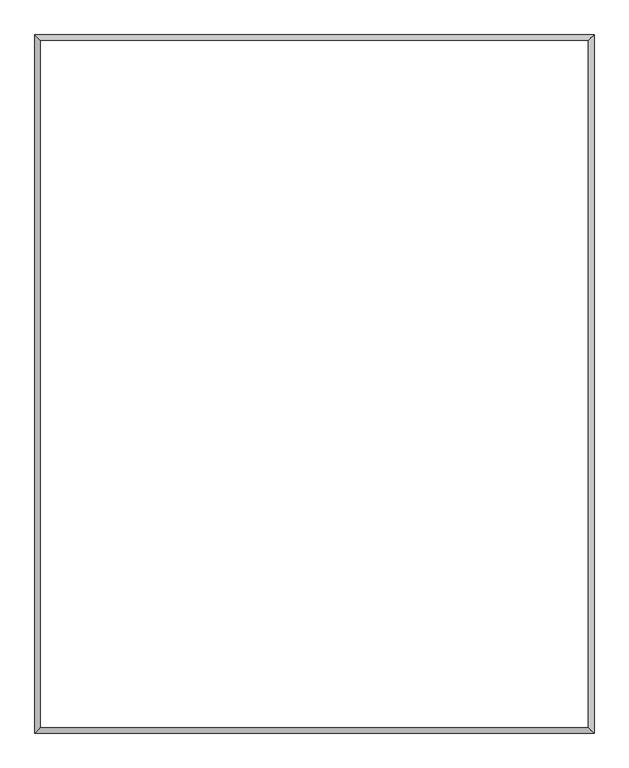
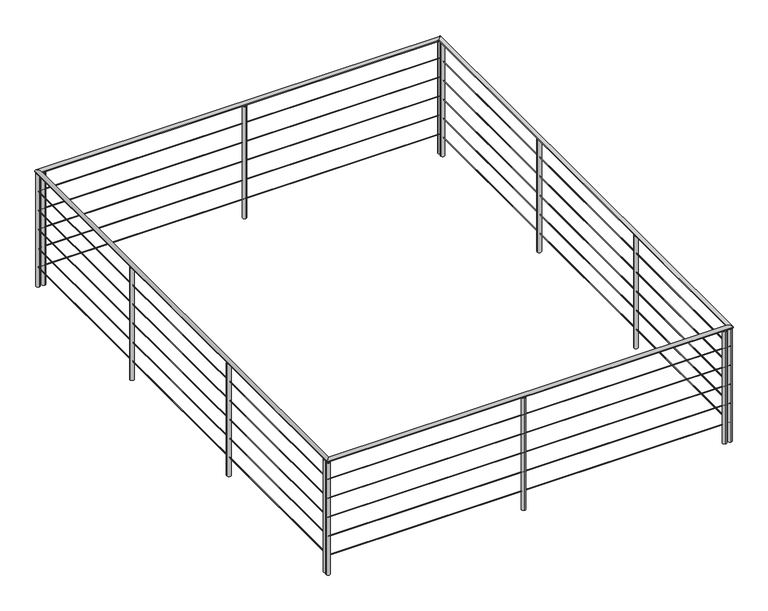
"""IFC4 building model written with IfcOpenShell, lengths in millimetres: railing geometry."""

from ifc_helpers import new_model, si_unit, point, frame, frame_2d, origin, origin_with_axes, place, context, project, spatial, circle_curve, ellipse_curve, trimmed, segment, composite_curve, outline, extrude, source, transform, mapped, element, save
from ifc_brep_helpers import cylinder_surface, advanced_brep


def railing_b5683f97(model_context):
    return source(origin(), model_context, "Body", "SolidModel", [
        advanced_brep(
        [(14677.1385921, 15982.6080891, 997.0), (14671.1385921, 15988.6080891, 997.0), (14671.1385921, 20982.6080891, 997.0), (14677.1385921, 20988.6080891, 997.0), (10677.1385921, 20982.6080891, 997.0), (10671.1385921, 20988.6080891, 997.0), (10677.1385921, 15988.6080891, 997.0), (10671.1385921, 15982.6080891, 997.0)],
        [
            (0, 1, ellipse_curve(frame((14674.1385921, 15985.6080891, 997.0), z_axis=(0.7071067811865475, 0.7071067811865475, 0.0), x_axis=(0.7071067811865474, -0.7071067811865476, 0.0)), 4.2426407, 3.0)),
            (1, 2),
            (2, 3, ellipse_curve(frame((14674.1385921, 20985.6080891, 997.0), z_axis=(0.7071067811865475, -0.7071067811865475, 0.0), x_axis=(-0.7071067811865474, -0.7071067811865476, 0.0)), 4.2426407, 3.0)),
            (3, 0),
            (1, 0, ellipse_curve(frame((14674.1385921, 15985.6080891, 997.0), z_axis=(0.7071067811865475, 0.7071067811865475, 0.0), x_axis=(0.7071067811865474, -0.7071067811865476, 0.0)), 4.2426407, 3.0)),
            (3, 2, ellipse_curve(frame((14674.1385921, 20985.6080891, 997.0), z_axis=(0.7071067811865475, -0.7071067811865475, 0.0), x_axis=(-0.7071067811865474, -0.7071067811865476, 0.0)), 4.2426407, 3.0)),
            (2, 4),
            (4, 5, ellipse_curve(frame((10674.1385921, 20985.6080891, 997.0), z_axis=(0.7071067811865475, 0.7071067811865475, 0.0), x_axis=(0.7071067811865476, -0.7071067811865474, 0.0)), 4.2426407, 3.0)),
            (5, 3),
            (5, 4, ellipse_curve(frame((10674.1385921, 20985.6080891, 997.0), z_axis=(0.7071067811865475, 0.7071067811865475, 0.0), x_axis=(0.7071067811865476, -0.7071067811865474, 0.0)), 4.2426407, 3.0)),
            (4, 6),
            (6, 7, ellipse_curve(frame((10674.1385921, 15985.6080891, 997.0), z_axis=(-0.7071067811865475, 0.7071067811865475, 0.0), x_axis=(0.7071067811865474, 0.7071067811865476, 0.0)), 4.2426407, 3.0)),
            (7, 5),
            (7, 6, ellipse_curve(frame((10674.1385921, 15985.6080891, 997.0), z_axis=(-0.7071067811865475, 0.7071067811865475, 0.0), x_axis=(0.7071067811865474, 0.7071067811865476, 0.0)), 4.2426407, 3.0)),
            (6, 1),
            (0, 7),
        ],
        [
            cylinder_surface(frame((14674.1385921, 15985.6080891, 997.0), z_axis=(0.0, -1.0, 0.0), x_axis=(1.0, 0.0, 0.0)), 3.0),
            cylinder_surface(frame((14674.1385921, 20985.6080891, 997.0), z_axis=(1.0, 0.0, 0.0), x_axis=(0.0, 1.0, 0.0)), 3.0),
            cylinder_surface(frame((10674.1385921, 20985.6080891, 997.0), z_axis=(0.0, 1.0, 0.0), x_axis=(-1.0, 0.0, 0.0)), 3.0),
            cylinder_surface(frame((10674.1385921, 15985.6080891, 997.0), z_axis=(-1.0, 0.0, 0.0), x_axis=(0.0, -1.0, 0.0)), 3.0),
        ],
        [
            (0, [[1, 2, 3, 4]]),
            (0, [[5, -4, 6, -2]]),
            (1, [[-3, 7, 8, 9]]),
            (1, [[-6, -9, 10, -7]]),
            (2, [[-8, 11, 12, 13]]),
            (2, [[-10, -13, 14, -11]]),
            (3, [[-12, 15, -1, 16]]),
            (3, [[-14, -16, -5, -15]]),
        ],
    ),
        advanced_brep(
        [(14677.1385921, 15982.6080891, 797.0), (14671.1385921, 15988.6080891, 797.0), (14671.1385921, 20982.6080891, 797.0), (14677.1385921, 20988.6080891, 797.0), (10677.1385921, 20982.6080891, 797.0), (10671.1385921, 20988.6080891, 797.0), (10677.1385921, 15988.6080891, 797.0), (10671.1385921, 15982.6080891, 797.0)],
        [
            (0, 1, ellipse_curve(frame((14674.1385921, 15985.6080891, 797.0), z_axis=(0.7071067811865475, 0.7071067811865475, 0.0), x_axis=(0.7071067811865474, -0.7071067811865476, 0.0)), 4.2426407, 3.0)),
            (1, 2),
            (2, 3, ellipse_curve(frame((14674.1385921, 20985.6080891, 797.0), z_axis=(0.7071067811865475, -0.7071067811865475, 0.0), x_axis=(-0.7071067811865474, -0.7071067811865476, 0.0)), 4.2426407, 3.0)),
            (3, 0),
            (1, 0, ellipse_curve(frame((14674.1385921, 15985.6080891, 797.0), z_axis=(0.7071067811865475, 0.7071067811865475, 0.0), x_axis=(0.7071067811865474, -0.7071067811865476, 0.0)), 4.2426407, 3.0)),
            (3, 2, ellipse_curve(frame((14674.1385921, 20985.6080891, 797.0), z_axis=(0.7071067811865475, -0.7071067811865475, 0.0), x_axis=(-0.7071067811865474, -0.7071067811865476, 0.0)), 4.2426407, 3.0)),
            (2, 4),
            (4, 5, ellipse_curve(frame((10674.1385921, 20985.6080891, 797.0), z_axis=(0.7071067811865475, 0.7071067811865475, 0.0), x_axis=(0.7071067811865476, -0.7071067811865474, 0.0)), 4.2426407, 3.0)),
            (5, 3),
            (5, 4, ellipse_curve(frame((10674.1385921, 20985.6080891, 797.0), z_axis=(0.7071067811865475, 0.7071067811865475, 0.0), x_axis=(0.7071067811865476, -0.7071067811865474, 0.0)), 4.2426407, 3.0)),
            (4, 6),
            (6, 7, ellipse_curve(frame((10674.1385921, 15985.6080891, 797.0), z_axis=(-0.7071067811865475, 0.7071067811865475, 0.0), x_axis=(0.7071067811865474, 0.7071067811865476, 0.0)), 4.2426407, 3.0)),
            (7, 5),
            (7, 6, ellipse_curve(frame((10674.1385921, 15985.6080891, 797.0), z_axis=(-0.7071067811865475, 0.7071067811865475, 0.0), x_axis=(0.7071067811865474, 0.7071067811865476, 0.0)), 4.2426407, 3.0)),
            (6, 1),
            (0, 7),
        ],
        [
            cylinder_surface(frame((14674.1385921, 15985.6080891, 797.0), z_axis=(0.0, -1.0, 0.0), x_axis=(1.0, 0.0, 0.0)), 3.0),
            cylinder_surface(frame((14674.1385921, 20985.6080891, 797.0), z_axis=(1.0, 0.0, 0.0), x_axis=(0.0, 1.0, 0.0)), 3.0),
            cylinder_surface(frame((10674.1385921, 20985.6080891, 797.0), z_axis=(0.0, 1.0, 0.0), x_axis=(-1.0, 0.0, 0.0)), 3.0),
            cylinder_surface(frame((10674.1385921, 15985.6080891, 797.0), z_axis=(-1.0, 0.0, 0.0), x_axis=(0.0, -1.0, 0.0)), 3.0),
        ],
        [
            (0, [[1, 2, 3, 4]]),
            (0, [[5, -4, 6, -2]]),
            (1, [[-3, 7, 8, 9]]),
            (1, [[-6, -9, 10, -7]]),
            (2, [[-8, 11, 12, 13]]),
            (2, [[-10, -13, 14, -11]]),
            (3, [[-12, 15, -1, 16]]),
            (3, [[-14, -16, -5, -15]]),
        ],
    ),
        advanced_brep(
        [(14677.1385921, 15982.6080891, 597.0), (14671.1385921, 15988.6080891, 597.0), (14671.1385921, 20982.6080891, 597.0), (14677.1385921, 20988.6080891, 597.0), (10677.1385921, 20982.6080891, 597.0), (10671.1385921, 20988.6080891, 597.0), (10677.1385921, 15988.6080891, 597.0), (10671.1385921, 15982.6080891, 597.0)],
        [
            (0, 1, ellipse_curve(frame((14674.1385921, 15985.6080891, 597.0), z_axis=(0.7071067811865475, 0.7071067811865475, 0.0), x_axis=(0.7071067811865474, -0.7071067811865476, 0.0)), 4.2426407, 3.0)),
            (1, 2),
            (2, 3, ellipse_curve(frame((14674.1385921, 20985.6080891, 597.0), z_axis=(0.7071067811865475, -0.7071067811865475, 0.0), x_axis=(-0.7071067811865474, -0.7071067811865476, 0.0)), 4.2426407, 3.0)),
            (3, 0),
            (1, 0, ellipse_curve(frame((14674.1385921, 15985.6080891, 597.0), z_axis=(0.7071067811865475, 0.7071067811865475, 0.0), x_axis=(0.7071067811865474, -0.7071067811865476, 0.0)), 4.2426407, 3.0)),
            (3, 2, ellipse_curve(frame((14674.1385921, 20985.6080891, 597.0), z_axis=(0.7071067811865475, -0.7071067811865475, 0.0), x_axis=(-0.7071067811865474, -0.7071067811865476, 0.0)), 4.2426407, 3.0)),
            (2, 4),
            (4, 5, ellipse_curve(frame((10674.1385921, 20985.6080891, 597.0), z_axis=(0.7071067811865475, 0.7071067811865475, 0.0), x_axis=(0.7071067811865476, -0.7071067811865474, 0.0)), 4.2426407, 3.0)),
            (5, 3),
            (5, 4, ellipse_curve(frame((10674.1385921, 20985.6080891, 597.0), z_axis=(0.7071067811865475, 0.7071067811865475, 0.0), x_axis=(0.7071067811865476, -0.7071067811865474, 0.0)), 4.2426407, 3.0)),
            (4, 6),
            (6, 7, ellipse_curve(frame((10674.1385921, 15985.6080891, 597.0), z_axis=(-0.7071067811865475, 0.7071067811865475, 0.0), x_axis=(0.7071067811865474, 0.7071067811865476, 0.0)), 4.2426407, 3.0)),
            (7, 5),
            (7, 6, ellipse_curve(frame((10674.1385921, 15985.6080891, 597.0), z_axis=(-0.7071067811865475, 0.7071067811865475, 0.0), x_axis=(0.7071067811865474, 0.7071067811865476, 0.0)), 4.2426407, 3.0)),
            (6, 1),
            (0, 7),
        ],
        [
            cylinder_surface(frame((14674.1385921, 15985.6080891, 597.0), z_axis=(0.0, -1.0, 0.0), x_axis=(1.0, 0.0, 0.0)), 3.0),
            cylinder_surface(frame((14674.1385921, 20985.6080891, 597.0), z_axis=(1.0, 0.0, 0.0), x_axis=(0.0, 1.0, 0.0)), 3.0),
            cylinder_surface(frame((10674.1385921, 20985.6080891, 597.0), z_axis=(0.0, 1.0, 0.0), x_axis=(-1.0, 0.0, 0.0)), 3.0),
            cylinder_surface(frame((10674.1385921, 15985.6080891, 597.0), z_axis=(-1.0, 0.0, 0.0), x_axis=(0.0, -1.0, 0.0)), 3.0),
        ],
        [
            (0, [[1, 2, 3, 4]]),
            (0, [[5, -4, 6, -2]]),
            (1, [[-3, 7, 8, 9]]),
            (1, [[-6, -9, 10, -7]]),
            (2, [[-8, 11, 12, 13]]),
            (2, [[-10, -13, 14, -11]]),
            (3, [[-12, 15, -1, 16]]),
            (3, [[-14, -16, -5, -15]]),
        ],
    ),
        advanced_brep(
        [(14677.1385921, 15982.6080891, 397.0), (14671.1385921, 15988.6080891, 397.0), (14671.1385921, 20982.6080891, 397.0), (14677.1385921, 20988.6080891, 397.0), (10677.1385921, 20982.6080891, 397.0), (10671.1385921, 20988.6080891, 397.0), (10677.1385921, 15988.6080891, 397.0), (10671.1385921, 15982.6080891, 397.0)],
        [
            (0, 1, ellipse_curve(frame((14674.1385921, 15985.6080891, 397.0), z_axis=(0.7071067811865475, 0.7071067811865475, 0.0), x_axis=(0.7071067811865474, -0.7071067811865476, 0.0)), 4.2426407, 3.0)),
            (1, 2),
            (2, 3, ellipse_curve(frame((14674.1385921, 20985.6080891, 397.0), z_axis=(0.7071067811865475, -0.7071067811865475, 0.0), x_axis=(-0.7071067811865474, -0.7071067811865476, 0.0)), 4.2426407, 3.0)),
            (3, 0),
            (1, 0, ellipse_curve(frame((14674.1385921, 15985.6080891, 397.0), z_axis=(0.7071067811865475, 0.7071067811865475, 0.0), x_axis=(0.7071067811865474, -0.7071067811865476, 0.0)), 4.2426407, 3.0)),
            (3, 2, ellipse_curve(frame((14674.1385921, 20985.6080891, 397.0), z_axis=(0.7071067811865475, -0.7071067811865475, 0.0), x_axis=(-0.7071067811865474, -0.7071067811865476, 0.0)), 4.2426407, 3.0)),
            (2, 4),
            (4, 5, ellipse_curve(frame((10674.1385921, 20985.6080891, 397.0), z_axis=(0.7071067811865475, 0.7071067811865475, 0.0), x_axis=(0.7071067811865476, -0.7071067811865474, 0.0)), 4.2426407, 3.0)),
            (5, 3),
            (5, 4, ellipse_curve(frame((10674.1385921, 20985.6080891, 397.0), z_axis=(0.7071067811865475, 0.7071067811865475, 0.0), x_axis=(0.7071067811865476, -0.7071067811865474, 0.0)), 4.2426407, 3.0)),
            (4, 6),
            (6, 7, ellipse_curve(frame((10674.1385921, 15985.6080891, 397.0), z_axis=(-0.7071067811865475, 0.7071067811865475, 0.0), x_axis=(0.7071067811865474, 0.7071067811865476, 0.0)), 4.2426407, 3.0)),
            (7, 5),
            (7, 6, ellipse_curve(frame((10674.1385921, 15985.6080891, 397.0), z_axis=(-0.7071067811865475, 0.7071067811865475, 0.0), x_axis=(0.7071067811865474, 0.7071067811865476, 0.0)), 4.2426407, 3.0)),
            (6, 1),
            (0, 7),
        ],
        [
            cylinder_surface(frame((14674.1385921, 15985.6080891, 397.0), z_axis=(0.0, -1.0, 0.0), x_axis=(1.0, 0.0, 0.0)), 3.0),
            cylinder_surface(frame((14674.1385921, 20985.6080891, 397.0), z_axis=(1.0, 0.0, 0.0), x_axis=(0.0, 1.0, 0.0)), 3.0),
            cylinder_surface(frame((10674.1385921, 20985.6080891, 397.0), z_axis=(0.0, 1.0, 0.0), x_axis=(-1.0, 0.0, 0.0)), 3.0),
            cylinder_surface(frame((10674.1385921, 15985.6080891, 397.0), z_axis=(-1.0, 0.0, 0.0), x_axis=(0.0, -1.0, 0.0)), 3.0),
        ],
        [
            (0, [[1, 2, 3, 4]]),
            (0, [[5, -4, 6, -2]]),
            (1, [[-3, 7, 8, 9]]),
            (1, [[-6, -9, 10, -7]]),
            (2, [[-8, 11, 12, 13]]),
            (2, [[-10, -13, 14, -11]]),
            (3, [[-12, 15, -1, 16]]),
            (3, [[-14, -16, -5, -15]]),
        ],
    ),
        advanced_brep(
        [(14677.1385921, 15982.6080891, 197.0), (14671.1385921, 15988.6080891, 197.0), (14671.1385921, 20982.6080891, 197.0), (14677.1385921, 20988.6080891, 197.0), (10677.1385921, 20982.6080891, 197.0), (10671.1385921, 20988.6080891, 197.0), (10677.1385921, 15988.6080891, 197.0), (10671.1385921, 15982.6080891, 197.0)],
        [
            (0, 1, ellipse_curve(frame((14674.1385921, 15985.6080891, 197.0), z_axis=(0.7071067811865475, 0.7071067811865475, 0.0), x_axis=(0.7071067811865474, -0.7071067811865476, 0.0)), 4.2426407, 3.0)),
            (1, 2),
            (2, 3, ellipse_curve(frame((14674.1385921, 20985.6080891, 197.0), z_axis=(0.7071067811865475, -0.7071067811865475, 0.0), x_axis=(-0.7071067811865474, -0.7071067811865476, 0.0)), 4.2426407, 3.0)),
            (3, 0),
            (1, 0, ellipse_curve(frame((14674.1385921, 15985.6080891, 197.0), z_axis=(0.7071067811865475, 0.7071067811865475, 0.0), x_axis=(0.7071067811865474, -0.7071067811865476, 0.0)), 4.2426407, 3.0)),
            (3, 2, ellipse_curve(frame((14674.1385921, 20985.6080891, 197.0), z_axis=(0.7071067811865475, -0.7071067811865475, 0.0), x_axis=(-0.7071067811865474, -0.7071067811865476, 0.0)), 4.2426407, 3.0)),
            (2, 4),
            (4, 5, ellipse_curve(frame((10674.1385921, 20985.6080891, 197.0), z_axis=(0.7071067811865475, 0.7071067811865475, 0.0), x_axis=(0.7071067811865476, -0.7071067811865474, 0.0)), 4.2426407, 3.0)),
            (5, 3),
            (5, 4, ellipse_curve(frame((10674.1385921, 20985.6080891, 197.0), z_axis=(0.7071067811865475, 0.7071067811865475, 0.0), x_axis=(0.7071067811865476, -0.7071067811865474, 0.0)), 4.2426407, 3.0)),
            (4, 6),
            (6, 7, ellipse_curve(frame((10674.1385921, 15985.6080891, 197.0), z_axis=(-0.7071067811865475, 0.7071067811865475, 0.0), x_axis=(0.7071067811865474, 0.7071067811865476, 0.0)), 4.2426407, 3.0)),
            (7, 5),
            (7, 6, ellipse_curve(frame((10674.1385921, 15985.6080891, 197.0), z_axis=(-0.7071067811865475, 0.7071067811865475, 0.0), x_axis=(0.7071067811865474, 0.7071067811865476, 0.0)), 4.2426407, 3.0)),
            (6, 1),
            (0, 7),
        ],
        [
            cylinder_surface(frame((14674.1385921, 15985.6080891, 197.0), z_axis=(0.0, -1.0, 0.0), x_axis=(1.0, 0.0, 0.0)), 3.0),
            cylinder_surface(frame((14674.1385921, 20985.6080891, 197.0), z_axis=(1.0, 0.0, 0.0), x_axis=(0.0, 1.0, 0.0)), 3.0),
            cylinder_surface(frame((10674.1385921, 20985.6080891, 197.0), z_axis=(0.0, 1.0, 0.0), x_axis=(-1.0, 0.0, 0.0)), 3.0),
            cylinder_surface(frame((10674.1385921, 15985.6080891, 197.0), z_axis=(-1.0, 0.0, 0.0), x_axis=(0.0, -1.0, 0.0)), 3.0),
        ],
        [
            (0, [[1, 2, 3, 4]]),
            (0, [[5, -4, 6, -2]]),
            (1, [[-3, 7, 8, 9]]),
            (1, [[-6, -9, 10, -7]]),
            (2, [[-8, 11, 12, 13]]),
            (2, [[-10, -13, 14, -11]]),
            (3, [[-12, 15, -1, 16]]),
            (3, [[-14, -16, -5, -15]]),
        ],
    ),
        advanced_brep(
        [(14694.1385921, 15965.6080891, 1200.0), (14654.1385921, 16005.6080891, 1200.0), (14654.1385921, 20965.6080891, 1200.0), (14694.1385921, 21005.6080891, 1200.0), (10694.1385921, 20965.6080891, 1200.0), (10654.1385921, 21005.6080891, 1200.0), (10694.1385921, 16005.6080891, 1200.0), (10654.1385921, 15965.6080891, 1200.0)],
        [
            (0, 1, ellipse_curve(frame((14674.1385921, 15985.6080891, 1200.0), z_axis=(0.7071067811865475, 0.7071067811865475, 0.0), x_axis=(0.7071067811865474, -0.7071067811865476, 0.0)), 28.2842712, 20.0)),
            (1, 2),
            (2, 3, ellipse_curve(frame((14674.1385921, 20985.6080891, 1200.0), z_axis=(0.7071067811865475, -0.7071067811865475, 0.0), x_axis=(-0.7071067811865474, -0.7071067811865476, 0.0)), 28.2842712, 20.0)),
            (3, 0),
            (1, 0, ellipse_curve(frame((14674.1385921, 15985.6080891, 1200.0), z_axis=(0.7071067811865475, 0.7071067811865475, 0.0), x_axis=(0.7071067811865474, -0.7071067811865476, 0.0)), 28.2842712, 20.0)),
            (3, 2, ellipse_curve(frame((14674.1385921, 20985.6080891, 1200.0), z_axis=(0.7071067811865475, -0.7071067811865475, 0.0), x_axis=(-0.7071067811865474, -0.7071067811865476, 0.0)), 28.2842712, 20.0)),
            (2, 4),
            (4, 5, ellipse_curve(frame((10674.1385921, 20985.6080891, 1200.0), z_axis=(0.7071067811865475, 0.7071067811865475, 0.0), x_axis=(0.7071067811865476, -0.7071067811865474, 0.0)), 28.2842712, 20.0)),
            (5, 3),
            (5, 4, ellipse_curve(frame((10674.1385921, 20985.6080891, 1200.0), z_axis=(0.7071067811865475, 0.7071067811865475, 0.0), x_axis=(0.7071067811865476, -0.7071067811865474, 0.0)), 28.2842712, 20.0)),
            (4, 6),
            (6, 7, ellipse_curve(frame((10674.1385921, 15985.6080891, 1200.0), z_axis=(-0.7071067811865475, 0.7071067811865475, 0.0), x_axis=(0.7071067811865474, 0.7071067811865476, 0.0)), 28.2842712, 20.0)),
            (7, 5),
            (7, 6, ellipse_curve(frame((10674.1385921, 15985.6080891, 1200.0), z_axis=(-0.7071067811865475, 0.7071067811865475, 0.0), x_axis=(0.7071067811865474, 0.7071067811865476, 0.0)), 28.2842712, 20.0)),
            (6, 1),
            (0, 7),
        ],
        [
            cylinder_surface(frame((14674.1385921, 15985.6080891, 1200.0), z_axis=(0.0, -1.0, 0.0), x_axis=(1.0, 0.0, 0.0)), 20.0),
            cylinder_surface(frame((14674.1385921, 20985.6080891, 1200.0), z_axis=(1.0, 0.0, 0.0), x_axis=(0.0, 1.0, 0.0)), 20.0),
            cylinder_surface(frame((10674.1385921, 20985.6080891, 1200.0), z_axis=(0.0, 1.0, 0.0), x_axis=(-1.0, 0.0, 0.0)), 20.0),
            cylinder_surface(frame((10674.1385921, 15985.6080891, 1200.0), z_axis=(-1.0, 0.0, 0.0), x_axis=(0.0, -1.0, 0.0)), 20.0),
        ],
        [
            (0, [[1, 2, 3, 4]]),
            (0, [[5, -4, 6, -2]]),
            (1, [[-3, 7, 8, 9]]),
            (1, [[-6, -9, 10, -7]]),
            (2, [[-8, 11, 12, 13]]),
            (2, [[-10, -13, 14, -11]]),
            (3, [[-12, 15, -1, 16]]),
            (3, [[-14, -16, -5, -15]]),
        ],
    ),
        extrude(outline(composite_curve([segment(trimmed(circle_curve(frame_2d((14620.0845381, 15985.6080891)), 20.0), [point((14620.0845381, 16005.6080891))], [point((14620.0845381, 15965.6080891))], False, "CARTESIAN"), True, "CONTINUOUS"), segment(trimmed(circle_curve(frame_2d((14620.0845381, 15985.6080891)), 20.0), [point((14620.0845381, 15965.6080891))], [point((14620.0845381, 16005.6080891))], False, "CARTESIAN"), True, "CONTINUOUS")], self_intersect=False)), origin_with_axes(), (0.0, 0.0, 1.0), 1180.0),
        extrude(outline(composite_curve([segment(trimmed(circle_curve(frame_2d((12620.0845381, 15985.6080891)), 20.0), [point((12620.0845381, 16005.6080891))], [point((12620.0845381, 15965.6080891))], False, "CARTESIAN"), True, "CONTINUOUS"), segment(trimmed(circle_curve(frame_2d((12620.0845381, 15985.6080891)), 20.0), [point((12620.0845381, 15965.6080891))], [point((12620.0845381, 16005.6080891))], False, "CARTESIAN"), True, "CONTINUOUS")], self_intersect=False)), origin_with_axes(), (0.0, 0.0, 1.0), 1180.0),
        extrude(outline(composite_curve([segment(trimmed(circle_curve(frame_2d((10674.1385921, 16030.6531342)), 20.0), [point((10694.1385921, 16030.6531342))], [point((10654.1385921, 16030.6531342))], False, "CARTESIAN"), True, "CONTINUOUS"), segment(trimmed(circle_curve(frame_2d((10674.1385921, 16030.6531342)), 20.0), [point((10654.1385921, 16030.6531342))], [point((10694.1385921, 16030.6531342))], False, "CARTESIAN"), True, "CONTINUOUS")], self_intersect=False)), origin_with_axes(), (0.0, 0.0, 1.0), 1180.0),
        extrude(outline(composite_curve([segment(trimmed(circle_curve(frame_2d((10674.1385921, 17697.3198009)), 20.0), [point((10694.1385921, 17697.3198009))], [point((10654.1385921, 17697.3198009))], False, "CARTESIAN"), True, "CONTINUOUS"), segment(trimmed(circle_curve(frame_2d((10674.1385921, 17697.3198009)), 20.0), [point((10654.1385921, 17697.3198009))], [point((10694.1385921, 17697.3198009))], False, "CARTESIAN"), True, "CONTINUOUS")], self_intersect=False)), origin_with_axes(), (0.0, 0.0, 1.0), 1180.0),
        extrude(outline(composite_curve([segment(trimmed(circle_curve(frame_2d((10674.1385921, 19363.9864675)), 20.0), [point((10694.1385921, 19363.9864675))], [point((10654.1385921, 19363.9864675))], False, "CARTESIAN"), True, "CONTINUOUS"), segment(trimmed(circle_curve(frame_2d((10674.1385921, 19363.9864675)), 20.0), [point((10654.1385921, 19363.9864675))], [point((10694.1385921, 19363.9864675))], False, "CARTESIAN"), True, "CONTINUOUS")], self_intersect=False)), origin_with_axes(), (0.0, 0.0, 1.0), 1180.0),
        extrude(outline(composite_curve([segment(trimmed(circle_curve(frame_2d((10728.1926462, 20985.6080891)), 20.0), [point((10728.1926462, 20965.6080891))], [point((10728.1926462, 21005.6080891))], False, "CARTESIAN"), True, "CONTINUOUS"), segment(trimmed(circle_curve(frame_2d((10728.1926462, 20985.6080891)), 20.0), [point((10728.1926462, 21005.6080891))], [point((10728.1926462, 20965.6080891))], False, "CARTESIAN"), True, "CONTINUOUS")], self_intersect=False)), origin_with_axes(), (0.0, 0.0, 1.0), 1180.0),
        extrude(outline(composite_curve([segment(trimmed(circle_curve(frame_2d((12728.1926462, 20985.6080891)), 20.0), [point((12728.1926462, 20965.6080891))], [point((12728.1926462, 21005.6080891))], False, "CARTESIAN"), True, "CONTINUOUS"), segment(trimmed(circle_curve(frame_2d((12728.1926462, 20985.6080891)), 20.0), [point((12728.1926462, 21005.6080891))], [point((12728.1926462, 20965.6080891))], False, "CARTESIAN"), True, "CONTINUOUS")], self_intersect=False)), origin_with_axes(), (0.0, 0.0, 1.0), 1180.0),
        extrude(outline(composite_curve([segment(trimmed(circle_curve(frame_2d((14674.1385921, 20940.5630441)), 20.0), [point((14654.1385921, 20940.5630441))], [point((14694.1385921, 20940.5630441))], False, "CARTESIAN"), True, "CONTINUOUS"), segment(trimmed(circle_curve(frame_2d((14674.1385921, 20940.5630441)), 20.0), [point((14694.1385921, 20940.5630441))], [point((14654.1385921, 20940.5630441))], False, "CARTESIAN"), True, "CONTINUOUS")], self_intersect=False)), origin_with_axes(), (0.0, 0.0, 1.0), 1180.0),
        extrude(outline(composite_curve([segment(trimmed(circle_curve(frame_2d((14674.1385921, 19273.8963774)), 20.0), [point((14654.1385921, 19273.8963774))], [point((14694.1385921, 19273.8963774))], False, "CARTESIAN"), True, "CONTINUOUS"), segment(trimmed(circle_curve(frame_2d((14674.1385921, 19273.8963774)), 20.0), [point((14694.1385921, 19273.8963774))], [point((14654.1385921, 19273.8963774))], False, "CARTESIAN"), True, "CONTINUOUS")], self_intersect=False)), origin_with_axes(), (0.0, 0.0, 1.0), 1180.0),
        extrude(outline(composite_curve([segment(trimmed(circle_curve(frame_2d((14674.1385921, 17607.2297108)), 20.0), [point((14654.1385921, 17607.2297108))], [point((14694.1385921, 17607.2297108))], False, "CARTESIAN"), True, "CONTINUOUS"), segment(trimmed(circle_curve(frame_2d((14674.1385921, 17607.2297108)), 20.0), [point((14694.1385921, 17607.2297108))], [point((14654.1385921, 17607.2297108))], False, "CARTESIAN"), True, "CONTINUOUS")], self_intersect=False)), origin_with_axes(), (0.0, 0.0, 1.0), 1180.0),
        extrude(outline(composite_curve([segment(trimmed(circle_curve(frame_2d((14674.1385921, 15985.6080891)), 20.0), [point((14674.1385921, 16005.6080891))], [point((14674.1385921, 15965.6080891))], False, "CARTESIAN"), True, "CONTINUOUS"), segment(trimmed(circle_curve(frame_2d((14674.1385921, 15985.6080891)), 20.0), [point((14674.1385921, 15965.6080891))], [point((14674.1385921, 16005.6080891))], False, "CARTESIAN"), True, "CONTINUOUS")], self_intersect=False)), origin_with_axes(), (0.0, 0.0, 1.0), 1180.0),
        extrude(outline(composite_curve([segment(trimmed(circle_curve(frame_2d((10674.1385921, 15985.6080891)), 20.0), [point((10694.1385921, 15985.6080891))], [point((10654.1385921, 15985.6080891))], False, "CARTESIAN"), True, "CONTINUOUS"), segment(trimmed(circle_curve(frame_2d((10674.1385921, 15985.6080891)), 20.0), [point((10654.1385921, 15985.6080891))], [point((10694.1385921, 15985.6080891))], False, "CARTESIAN"), True, "CONTINUOUS")], self_intersect=False)), origin_with_axes(), (0.0, 0.0, 1.0), 1180.0),
        extrude(outline(composite_curve([segment(trimmed(circle_curve(frame_2d((10674.1385921, 20985.6080891)), 20.0), [point((10674.1385921, 20965.6080891))], [point((10674.1385921, 21005.6080891))], False, "CARTESIAN"), True, "CONTINUOUS"), segment(trimmed(circle_curve(frame_2d((10674.1385921, 20985.6080891)), 20.0), [point((10674.1385921, 21005.6080891))], [point((10674.1385921, 20965.6080891))], False, "CARTESIAN"), True, "CONTINUOUS")], self_intersect=False)), origin_with_axes(), (0.0, 0.0, 1.0), 1180.0),
        extrude(outline(composite_curve([segment(trimmed(circle_curve(frame_2d((14674.1385921, 20985.6080891)), 20.0), [point((14654.1385921, 20985.6080891))], [point((14694.1385921, 20985.6080891))], False, "CARTESIAN"), True, "CONTINUOUS"), segment(trimmed(circle_curve(frame_2d((14674.1385921, 20985.6080891)), 20.0), [point((14694.1385921, 20985.6080891))], [point((14654.1385921, 20985.6080891))], False, "CARTESIAN"), True, "CONTINUOUS")], self_intersect=False)), origin_with_axes(), (0.0, 0.0, 1.0), 1180.0),
    ])


if __name__ == "__main__":
    model = new_model("IFC4")
    model_context = context("Model", 3, world=origin())
    ifc_project = project(units=[si_unit("LENGTHUNIT", "METRE", prefix="MILLI")], contexts=[model_context])
    site = spatial("IfcSite", under=ifc_project)
    building = spatial("IfcBuilding", under=site)
    placement = place(None, origin())
    railing_shape = railing_b5683f97(model_context)
    element("IfcRailing", 1, at=placement, inside=building, context=model_context, shape_type="MappedRepresentation", body=[
        mapped(railing_shape, transform((0.0, 0.0, 0.0), x_axis=(1.0, 0.0, 0.0), y_axis=(0.0, 1.0, 0.0), z_axis=(0.0, 0.0, 1.0))),
    ])
    save(model, "model.ifc")
